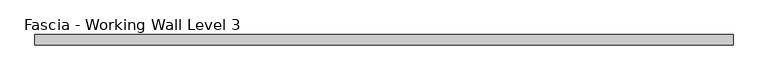
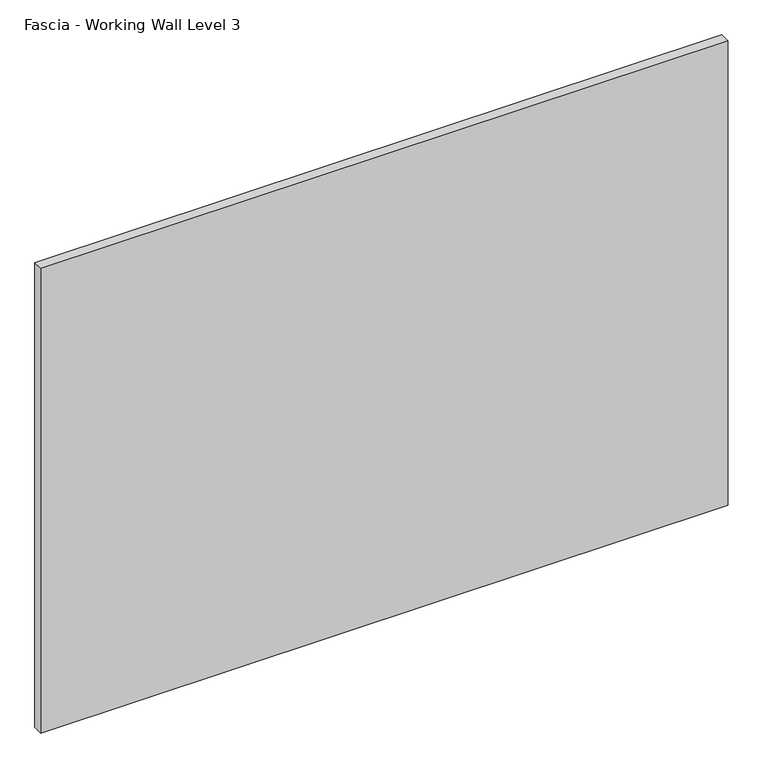
"""IFC4 building model written with IfcOpenShell, lengths in millimetres: proxy geometry, Fascia - Working Wall Level 3."""

import ifcopenshell
import ifcopenshell.guid

model = None  # the IFC model being written
_history = None  # IfcOwnerHistory: only IFC2X3 demands one
_inside = {}  # id of a spatial element -> (the spatial element, [elements in it])
_under = {}  # id of a project, library or spatial element -> (it, [spatial elements below it])
_declared = {}  # id of a project -> (the project, [libraries it declares])
_typed = {}  # id of a type object -> (the type object, [elements of that type])
_made_of = {}  # id of a material, layer set ... -> (it, [elements and type objects made of it])


def new_model(schema):
    """Start an empty IFC model of exactly this schema.

    Asked for "IFC4X3", IfcOpenShell would pick the latest addendum, in which some entities
    have other attributes; the version numbers below select the first issue.
    IFC2X3 requires an IfcOwnerHistory on every rooted entity: one is made here for all.
    """
    global model, _history
    if schema == "IFC4X3":
        model = ifcopenshell.file(schema_version=(4, 3, 0, 0))
    else:
        model = ifcopenshell.file(schema=schema)
    _inside.clear()
    _under.clear()
    _declared.clear()
    _typed.clear()
    _made_of.clear()
    _history = None
    if model.schema == "IFC2X3":
        org = make("IfcOrganization", Name="unknown")
        user = make(
            "IfcPersonAndOrganization",
            ThePerson=make("IfcPerson", FamilyName="unknown"),
            TheOrganization=org,
        )
        app = make(
            "IfcApplication",
            ApplicationDeveloper=org,
            Version="unknown",
            ApplicationFullName="unknown",
            ApplicationIdentifier="unknown",
        )
        _history = make(
            "IfcOwnerHistory",
            OwningUser=user,
            OwningApplication=app,
            ChangeAction="ADDED",
            CreationDate=0,
        )
    return model


def make(cls, **values):
    """One entity of the class cls with the attributes given. An attribute that is None is left unset."""
    return model.create_entity(
        cls, **{name: value for name, value in values.items() if value is not None}
    )


def rooted(cls, **values):
    """An entity with a GlobalId (a new one), such as an element, a storey or a relation."""
    return make(cls, GlobalId=ifcopenshell.guid.new(), OwnerHistory=_history, **values)


def si_unit(unit_type, name, prefix=None):
    """IfcSIUnit, for example si_unit("LENGTHUNIT", "METRE", prefix="MILLI")."""
    return make("IfcSIUnit", UnitType=unit_type, Prefix=prefix, Name=name)


def assignment(units):
    """IfcUnitAssignment: the units of a project."""
    return None if units is None else make("IfcUnitAssignment", Units=units)


def point(xyz):
    """IfcCartesianPoint."""
    return None if xyz is None else make("IfcCartesianPoint", Coordinates=xyz)


def direction(xyz):
    """IfcDirection."""
    return None if xyz is None else make("IfcDirection", DirectionRatios=xyz)


def frame(location, z_axis=None, x_axis=None):
    """IfcAxis2Placement3D, a coordinate frame: its origin and axes. An axis left out is left unset."""
    return make(
        "IfcAxis2Placement3D",
        Location=point(location),
        Axis=direction(z_axis),
        RefDirection=direction(x_axis),
    )


def origin():
    """The frame at (0, 0, 0) with its axes left unset."""
    return frame((0.0, 0.0, 0.0))


def origin_with_axes():
    """The frame at (0, 0, 0) with the z axis (0, 0, 1) and the x axis (1, 0, 0) written out."""
    return frame((0.0, 0.0, 0.0), z_axis=(0.0, 0.0, 1.0), x_axis=(1.0, 0.0, 0.0))


def place(relative_to, where):
    """IfcLocalPlacement: puts the frame where relative to a parent placement (None: the world)."""
    return make(
        "IfcLocalPlacement", PlacementRelTo=relative_to, RelativePlacement=where
    )


def context(
    kind, dimensions, precision=None, world=None, true_north=None, identifier=None
):
    """IfcGeometricRepresentationContext, for example the 3D "Model" context."""
    return make(
        "IfcGeometricRepresentationContext",
        ContextIdentifier=identifier,
        ContextType=kind,
        CoordinateSpaceDimension=dimensions,
        Precision=precision,
        WorldCoordinateSystem=world,
        TrueNorth=true_north,
    )


def project(units=None, contexts=None):
    """IfcProject with its units and contexts."""
    return rooted(
        "IfcProject",
        Name="project",
        RepresentationContexts=contexts,
        UnitsInContext=assignment(units),
    )


def spatial(cls, under=None, at=None, **own):
    """A site, building, storey or space (cls), placed at a placement, below another one or the project."""
    s = rooted(cls, ObjectPlacement=at, **own)
    if under is not None:
        _under.setdefault(under.id(), (under, []))[1].append(s)
    return s


def polyline(points):
    """IfcPolyline through the points."""
    return make("IfcPolyline", Points=[point(p) for p in points])


def outline(outer, holes=None, kind="AREA"):
    """IfcArbitraryClosedProfileDef: a profile drawn as a closed curve; with holes, ...WithVoids."""
    if holes is None:
        return make("IfcArbitraryClosedProfileDef", ProfileType=kind, OuterCurve=outer)
    return make(
        "IfcArbitraryProfileDefWithVoids",
        ProfileType=kind,
        OuterCurve=outer,
        InnerCurves=holes,
    )


def extrude(swept, where, along, depth):
    """IfcExtrudedAreaSolid: the profile swept, set in the frame where, extruded along a direction by depth."""
    return make(
        "IfcExtrudedAreaSolid",
        SweptArea=swept,
        Position=where,
        ExtrudedDirection=direction(along),
        Depth=depth,
    )


def shape(context_of_items, identifier, shape_type, items):
    """IfcShapeRepresentation: the items that make up one representation, for example the "Body"."""
    return make(
        "IfcShapeRepresentation",
        ContextOfItems=context_of_items,
        RepresentationIdentifier=identifier,
        RepresentationType=shape_type,
        Items=items,
    )


def source(mapping_origin, context_of_items, identifier, shape_type, items):
    """IfcRepresentationMap: a shape defined once, which mapped items show again and again."""
    return make(
        "IfcRepresentationMap",
        MappingOrigin=mapping_origin,
        MappedRepresentation=shape(context_of_items, identifier, shape_type, items),
    )


def transform(
    local_origin,
    x_axis=None,
    y_axis=None,
    z_axis=None,
    scale=None,
    scale2=None,
    scale3=None,
    uniform=True,
):
    """IfcCartesianTransformationOperator3D, or its non-uniform kind. x_axis, y_axis, z_axis: its Axis1, 2, 3."""
    if uniform:
        return make(
            "IfcCartesianTransformationOperator3D",
            Axis1=direction(x_axis),
            Axis2=direction(y_axis),
            LocalOrigin=point(local_origin),
            Scale=scale,
            Axis3=direction(z_axis),
        )
    return make(
        "IfcCartesianTransformationOperator3DnonUniform",
        Axis1=direction(x_axis),
        Axis2=direction(y_axis),
        LocalOrigin=point(local_origin),
        Scale=scale,
        Axis3=direction(z_axis),
        Scale2=scale2,
        Scale3=scale3,
    )


def mapped(mapping_source, mapping_target):
    """IfcMappedItem: shows the shape of a source again, moved by a transform."""
    return make(
        "IfcMappedItem", MappingSource=mapping_source, MappingTarget=mapping_target
    )


def made_of(thing, what):
    """Note that an element or type object is made of a material, layer set ...; save() writes the relation."""
    if what is not None:
        _made_of.setdefault(what.id(), (what, []))[1].append(thing)
    return thing


def element(
    cls,
    number,
    at=None,
    inside=None,
    cuts=None,
    type_object=None,
    material=None,
    context=None,
    identifier="Body",
    shape_type=None,
    held_by="IfcProductDefinitionShape",
    body=None,
    shapes=None,
    **own,
):
    """One element of the class cls, such as IfcWall. Its Tag is "e" and its number.

    at: its placement. inside: the storey or other place that contains it. cuts: it is an
    opening in that element (IfcRelVoidsElement). A single representation is given by context,
    identifier, shape_type and body (its items); several are given by shapes. held_by: the class
    of the entity that holds the representations. save() writes the other relations.
    """
    e = rooted(cls, Tag="e%d" % number, ObjectPlacement=at, **own)
    if body is not None:
        shapes = [shape(context, identifier, shape_type, body)]
    if shapes is not None:
        e.Representation = make(held_by, Representations=shapes)
    if inside is not None:
        _inside.setdefault(inside.id(), (inside, []))[1].append(e)
    if cuts is not None:
        rooted(
            "IfcRelVoidsElement", RelatingBuildingElement=cuts, RelatedOpeningElement=e
        )
    if type_object is not None:
        _typed.setdefault(type_object.id(), (type_object, []))[1].append(e)
    return made_of(e, material)


def aggregate(whole, parts):
    """IfcRelAggregates: a whole, such as a stair, and the parts it consists of."""
    return rooted("IfcRelAggregates", RelatingObject=whole, RelatedObjects=parts)


def save(model, path):
    """Write the relations noted so far, then the file.

    IfcRelAggregates (storeys below a building ...), IfcRelContainedInSpatialStructure (elements
    in a storey), IfcRelDefinesByType, IfcRelAssociatesMaterial and IfcRelDeclares: one each for
    every whole, place, type object, material and project.
    """
    for whole, parts in _under.values():
        aggregate(whole, parts)
    for where, things in _inside.values():
        rooted(
            "IfcRelContainedInSpatialStructure",
            RelatedElements=things,
            RelatingStructure=where,
        )
    for kind, things in _typed.values():
        rooted("IfcRelDefinesByType", RelatedObjects=things, RelatingType=kind)
    for what, things in _made_of.values():
        rooted("IfcRelAssociatesMaterial", RelatedObjects=things, RelatingMaterial=what)
    for by, libraries in _declared.values():
        rooted("IfcRelDeclares", RelatingContext=by, RelatedDefinitions=libraries)
    model.write(path)


def fascia_working_wall_level_3_0dec9031(model_context):
    return source(origin(), model_context, "Body", "SweptSolid", [
        extrude(outline(polyline([(-679.4999368, -24.22678), (-679.4999368, -6.75158), (517.9473618, -6.75158), (517.9473618, -24.22678), (-679.4999368, -24.22678)])), origin_with_axes(), (0.0, 0.0, 1.0), 855.9484),
    ])


if __name__ == "__main__":
    model = new_model("IFC4")
    model_context = context("Model", 3, world=origin())
    ifc_project = project(units=[si_unit("LENGTHUNIT", "METRE", prefix="MILLI")], contexts=[model_context])
    site = spatial("IfcSite", under=ifc_project)
    building = spatial("IfcBuilding", under=site)
    placement = place(None, origin())
    fascia_working_wall_level_3_shape = fascia_working_wall_level_3_0dec9031(model_context)
    element("IfcBuildingElementProxy", 1, Name="Fascia - Working Wall Level 3", ObjectType="Fascia - Working Wall Level 3", at=placement, inside=building, context=model_context, shape_type="MappedRepresentation", body=[
        mapped(fascia_working_wall_level_3_shape, transform((0.0, 0.0, 0.0), x_axis=(1.0, 0.0, 0.0), y_axis=(0.0, 1.0, 0.0), z_axis=(0.0, 0.0, 1.0))),
    ])
    save(model, "model.ifc")
